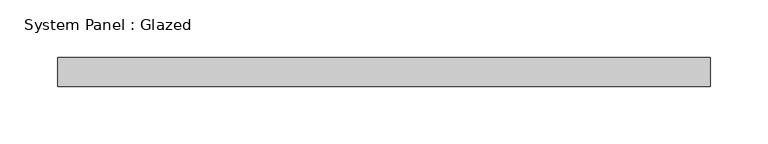
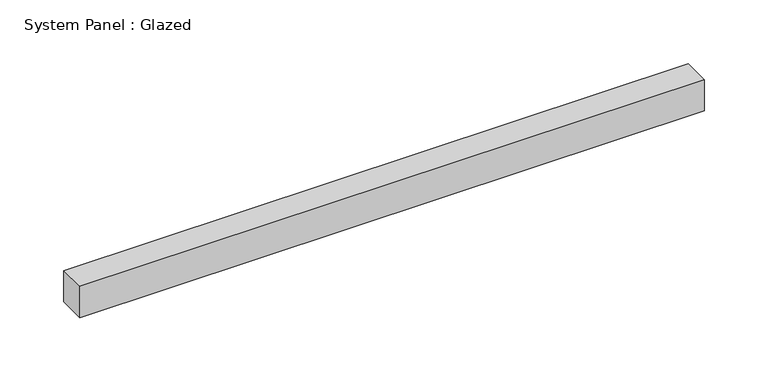
"""IFC4 building model written with IfcOpenShell, lengths in millimetres: plate geometry, System Panel : Glazed."""

from ifc_helpers import new_model, si_unit, origin, origin_with_axes, place, context, project, spatial, polyline, outline, extrude, source, transform, mapped, element, save


def system_panel_glazed_a9b2d2b0(model_context):
    return source(origin(), model_context, "Body", "SweptSolid", [
        extrude(outline(polyline([(282.75, 24.5), (-282.75, 24.5), (-282.75, 49.5), (282.75, 49.5), (282.75, 24.5)])), origin_with_axes(), (0.0, 0.0, 1.0), 30.0),
    ])


if __name__ == "__main__":
    model = new_model("IFC4")
    model_context = context("Model", 3, world=origin())
    ifc_project = project(units=[si_unit("LENGTHUNIT", "METRE", prefix="MILLI")], contexts=[model_context])
    site = spatial("IfcSite", under=ifc_project)
    building = spatial("IfcBuilding", under=site)
    placement = place(None, origin())
    system_panel_glazed_shape = system_panel_glazed_a9b2d2b0(model_context)
    element("IfcPlate", 1, ObjectType="System Panel : Glazed", at=placement, inside=building, context=model_context, shape_type="MappedRepresentation", body=[
        mapped(system_panel_glazed_shape, transform((0.0, 0.0, 0.0), x_axis=(1.0, 0.0, 0.0), y_axis=(0.0, 1.0, 0.0), z_axis=(0.0, 0.0, 1.0))),
    ])
    save(model, "model.ifc")
